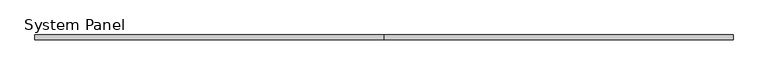
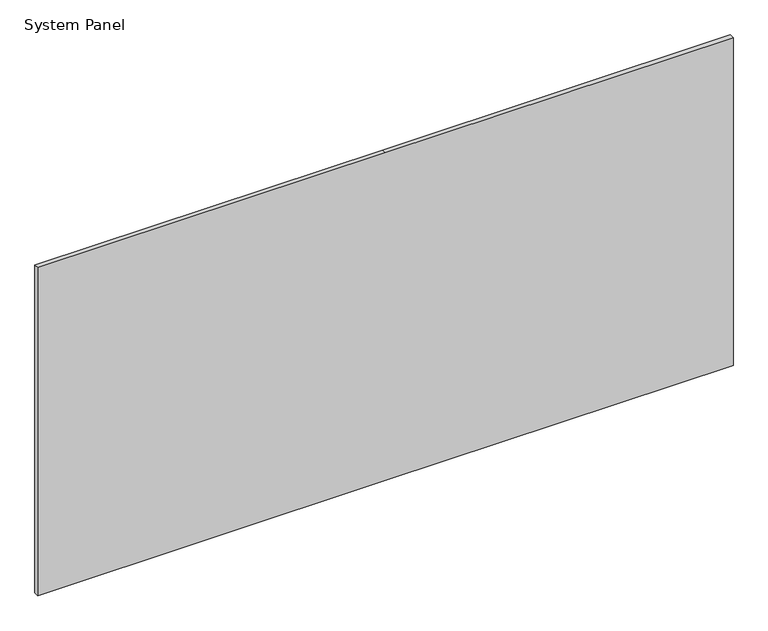
"""IFC4 building model written with IfcOpenShell, lengths in millimetres: plate geometry, System Panel."""

from ifc_helpers import new_model, si_unit, frame, origin, place, context, project, spatial, polyline, outline, extrude, source, transform, mapped, element, save


def system_panel_96b977ac(model_context):
    return source(origin(), model_context, "Body", "SweptSolid", [
        extrude(outline(polyline([(0.0, -1195.0), (0.0, 0.0), (0.0, 1195.0), (1192.5, 1195.0), (1192.5, 0.0), (1192.5, -1195.0), (0.0, -1195.0)])), frame((0.0, -8.0, 0.0), z_axis=(0.0, 1.0, 0.0), x_axis=(0.0, 0.0, 1.0)), (0.0, 0.0, 1.0), 16.0),
    ])


if __name__ == "__main__":
    model = new_model("IFC4")
    model_context = context("Model", 3, world=origin())
    ifc_project = project(units=[si_unit("LENGTHUNIT", "METRE", prefix="MILLI")], contexts=[model_context])
    site = spatial("IfcSite", under=ifc_project)
    building = spatial("IfcBuilding", under=site)
    placement = place(None, origin())
    system_panel_shape = system_panel_96b977ac(model_context)
    element("IfcPlate", 1, ObjectType="System Panel", at=placement, inside=building, context=model_context, shape_type="MappedRepresentation", body=[
        mapped(system_panel_shape, transform((0.0, 0.0, 0.0), x_axis=(1.0, 0.0, 0.0), y_axis=(0.0, 1.0, 0.0), z_axis=(0.0, 0.0, 1.0))),
    ])
    save(model, "model.ifc")
